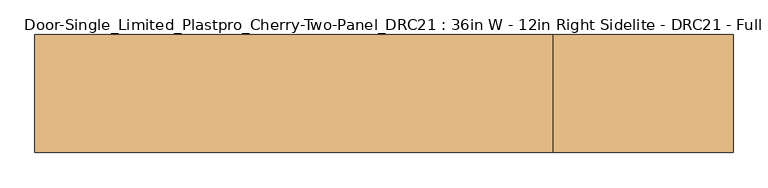
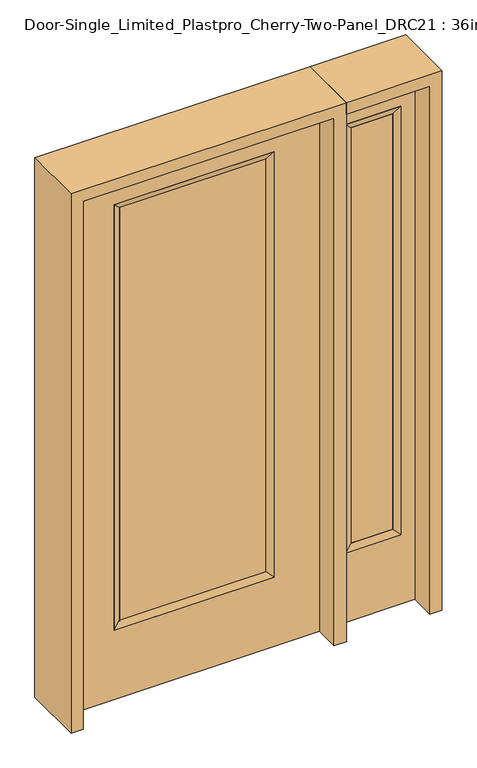
"""IFC4 building model written with IfcOpenShell, lengths in millimetres: door geometry, Door-Single_Limited_Plastpro_Cherry-Two-Panel_DRC21 : 36in W - 12in Right Sidelite - DRC21 - Full Lite - 80in."""

import ifcopenshell
import ifcopenshell.guid

model = None  # the IFC model being written
_history = None  # IfcOwnerHistory: only IFC2X3 demands one
_inside = {}  # id of a spatial element -> (the spatial element, [elements in it])
_under = {}  # id of a project, library or spatial element -> (it, [spatial elements below it])
_declared = {}  # id of a project -> (the project, [libraries it declares])
_typed = {}  # id of a type object -> (the type object, [elements of that type])
_made_of = {}  # id of a material, layer set ... -> (it, [elements and type objects made of it])


def new_model(schema):
    """Start an empty IFC model of exactly this schema.

    Asked for "IFC4X3", IfcOpenShell would pick the latest addendum, in which some entities
    have other attributes; the version numbers below select the first issue.
    IFC2X3 requires an IfcOwnerHistory on every rooted entity: one is made here for all.
    """
    global model, _history
    if schema == "IFC4X3":
        model = ifcopenshell.file(schema_version=(4, 3, 0, 0))
    else:
        model = ifcopenshell.file(schema=schema)
    _inside.clear()
    _under.clear()
    _declared.clear()
    _typed.clear()
    _made_of.clear()
    _history = None
    if model.schema == "IFC2X3":
        org = make("IfcOrganization", Name="unknown")
        user = make(
            "IfcPersonAndOrganization",
            ThePerson=make("IfcPerson", FamilyName="unknown"),
            TheOrganization=org,
        )
        app = make(
            "IfcApplication",
            ApplicationDeveloper=org,
            Version="unknown",
            ApplicationFullName="unknown",
            ApplicationIdentifier="unknown",
        )
        _history = make(
            "IfcOwnerHistory",
            OwningUser=user,
            OwningApplication=app,
            ChangeAction="ADDED",
            CreationDate=0,
        )
    return model


def make(cls, **values):
    """One entity of the class cls with the attributes given. An attribute that is None is left unset."""
    return model.create_entity(
        cls, **{name: value for name, value in values.items() if value is not None}
    )


def rooted(cls, **values):
    """An entity with a GlobalId (a new one), such as an element, a storey or a relation."""
    return make(cls, GlobalId=ifcopenshell.guid.new(), OwnerHistory=_history, **values)


def si_unit(unit_type, name, prefix=None):
    """IfcSIUnit, for example si_unit("LENGTHUNIT", "METRE", prefix="MILLI")."""
    return make("IfcSIUnit", UnitType=unit_type, Prefix=prefix, Name=name)


def assignment(units):
    """IfcUnitAssignment: the units of a project."""
    return None if units is None else make("IfcUnitAssignment", Units=units)


def point(xyz):
    """IfcCartesianPoint."""
    return None if xyz is None else make("IfcCartesianPoint", Coordinates=xyz)


def direction(xyz):
    """IfcDirection."""
    return None if xyz is None else make("IfcDirection", DirectionRatios=xyz)


def frame(location, z_axis=None, x_axis=None):
    """IfcAxis2Placement3D, a coordinate frame: its origin and axes. An axis left out is left unset."""
    return make(
        "IfcAxis2Placement3D",
        Location=point(location),
        Axis=direction(z_axis),
        RefDirection=direction(x_axis),
    )


def origin():
    """The frame at (0, 0, 0) with its axes left unset."""
    return frame((0.0, 0.0, 0.0))


def place(relative_to, where):
    """IfcLocalPlacement: puts the frame where relative to a parent placement (None: the world)."""
    return make(
        "IfcLocalPlacement", PlacementRelTo=relative_to, RelativePlacement=where
    )


def context(
    kind, dimensions, precision=None, world=None, true_north=None, identifier=None
):
    """IfcGeometricRepresentationContext, for example the 3D "Model" context."""
    return make(
        "IfcGeometricRepresentationContext",
        ContextIdentifier=identifier,
        ContextType=kind,
        CoordinateSpaceDimension=dimensions,
        Precision=precision,
        WorldCoordinateSystem=world,
        TrueNorth=true_north,
    )


def project(units=None, contexts=None):
    """IfcProject with its units and contexts."""
    return rooted(
        "IfcProject",
        Name="project",
        RepresentationContexts=contexts,
        UnitsInContext=assignment(units),
    )


def spatial(cls, under=None, at=None, **own):
    """A site, building, storey or space (cls), placed at a placement, below another one or the project."""
    s = rooted(cls, ObjectPlacement=at, **own)
    if under is not None:
        _under.setdefault(under.id(), (under, []))[1].append(s)
    return s


def polyline(points):
    """IfcPolyline through the points."""
    return make("IfcPolyline", Points=[point(p) for p in points])


def outline(outer, holes=None, kind="AREA"):
    """IfcArbitraryClosedProfileDef: a profile drawn as a closed curve; with holes, ...WithVoids."""
    if holes is None:
        return make("IfcArbitraryClosedProfileDef", ProfileType=kind, OuterCurve=outer)
    return make(
        "IfcArbitraryProfileDefWithVoids",
        ProfileType=kind,
        OuterCurve=outer,
        InnerCurves=holes,
    )


def extrude(swept, where, along, depth):
    """IfcExtrudedAreaSolid: the profile swept, set in the frame where, extruded along a direction by depth."""
    return make(
        "IfcExtrudedAreaSolid",
        SweptArea=swept,
        Position=where,
        ExtrudedDirection=direction(along),
        Depth=depth,
    )


def faces_of(points, faces, orient=None, outer=None):
    """IfcFace entities. A face is a list of loops; a loop is a list of indices into points, from 0.

    orient and outer hold one flag for each loop. By default every Orientation is true, the
    first loop of a face is its IfcFaceOuterBound and the others are IfcFaceBound.
    """
    made = []
    for i, loops in enumerate(faces):
        bounds = []
        for j, loop in enumerate(loops):
            is_outer = j == 0 if outer is None else outer[i][j]
            bounds.append(
                make(
                    "IfcFaceOuterBound" if is_outer else "IfcFaceBound",
                    Bound=make("IfcPolyLoop", Polygon=[points[k] for k in loop]),
                    Orientation=True if orient is None else orient[i][j],
                )
            )
        made.append(make("IfcFace", Bounds=bounds))
    return made


def faceted_brep(points, faces, orient=None, outer=None, voids=None):
    """IfcFacetedBrep: a solid bounded by flat faces; with voids (closed shells), ...WithVoids."""
    shared = [point(p) for p in points]
    hull = make("IfcClosedShell", CfsFaces=faces_of(shared, faces, orient, outer))
    if voids is None:
        return make("IfcFacetedBrep", Outer=hull)
    return make(
        "IfcFacetedBrepWithVoids",
        Outer=hull,
        Voids=[
            make(cls, CfsFaces=faces_of(shared, fs, o, b)) for cls, fs, o, b in voids
        ],
    )


def shape(context_of_items, identifier, shape_type, items):
    """IfcShapeRepresentation: the items that make up one representation, for example the "Body"."""
    return make(
        "IfcShapeRepresentation",
        ContextOfItems=context_of_items,
        RepresentationIdentifier=identifier,
        RepresentationType=shape_type,
        Items=items,
    )


def source(mapping_origin, context_of_items, identifier, shape_type, items):
    """IfcRepresentationMap: a shape defined once, which mapped items show again and again."""
    return make(
        "IfcRepresentationMap",
        MappingOrigin=mapping_origin,
        MappedRepresentation=shape(context_of_items, identifier, shape_type, items),
    )


def transform(
    local_origin,
    x_axis=None,
    y_axis=None,
    z_axis=None,
    scale=None,
    scale2=None,
    scale3=None,
    uniform=True,
):
    """IfcCartesianTransformationOperator3D, or its non-uniform kind. x_axis, y_axis, z_axis: its Axis1, 2, 3."""
    if uniform:
        return make(
            "IfcCartesianTransformationOperator3D",
            Axis1=direction(x_axis),
            Axis2=direction(y_axis),
            LocalOrigin=point(local_origin),
            Scale=scale,
            Axis3=direction(z_axis),
        )
    return make(
        "IfcCartesianTransformationOperator3DnonUniform",
        Axis1=direction(x_axis),
        Axis2=direction(y_axis),
        LocalOrigin=point(local_origin),
        Scale=scale,
        Axis3=direction(z_axis),
        Scale2=scale2,
        Scale3=scale3,
    )


def mapped(mapping_source, mapping_target):
    """IfcMappedItem: shows the shape of a source again, moved by a transform."""
    return make(
        "IfcMappedItem", MappingSource=mapping_source, MappingTarget=mapping_target
    )


def made_of(thing, what):
    """Note that an element or type object is made of a material, layer set ...; save() writes the relation."""
    if what is not None:
        _made_of.setdefault(what.id(), (what, []))[1].append(thing)
    return thing


def element(
    cls,
    number,
    at=None,
    inside=None,
    cuts=None,
    type_object=None,
    material=None,
    context=None,
    identifier="Body",
    shape_type=None,
    held_by="IfcProductDefinitionShape",
    body=None,
    shapes=None,
    **own,
):
    """One element of the class cls, such as IfcWall. Its Tag is "e" and its number.

    at: its placement. inside: the storey or other place that contains it. cuts: it is an
    opening in that element (IfcRelVoidsElement). A single representation is given by context,
    identifier, shape_type and body (its items); several are given by shapes. held_by: the class
    of the entity that holds the representations. save() writes the other relations.
    """
    e = rooted(cls, Tag="e%d" % number, ObjectPlacement=at, **own)
    if body is not None:
        shapes = [shape(context, identifier, shape_type, body)]
    if shapes is not None:
        e.Representation = make(held_by, Representations=shapes)
    if inside is not None:
        _inside.setdefault(inside.id(), (inside, []))[1].append(e)
    if cuts is not None:
        rooted(
            "IfcRelVoidsElement", RelatingBuildingElement=cuts, RelatedOpeningElement=e
        )
    if type_object is not None:
        _typed.setdefault(type_object.id(), (type_object, []))[1].append(e)
    return made_of(e, material)


def aggregate(whole, parts):
    """IfcRelAggregates: a whole, such as a stair, and the parts it consists of."""
    return rooted("IfcRelAggregates", RelatingObject=whole, RelatedObjects=parts)


def save(model, path):
    """Write the relations noted so far, then the file.

    IfcRelAggregates (storeys below a building ...), IfcRelContainedInSpatialStructure (elements
    in a storey), IfcRelDefinesByType, IfcRelAssociatesMaterial and IfcRelDeclares: one each for
    every whole, place, type object, material and project.
    """
    for whole, parts in _under.values():
        aggregate(whole, parts)
    for where, things in _inside.values():
        rooted(
            "IfcRelContainedInSpatialStructure",
            RelatedElements=things,
            RelatingStructure=where,
        )
    for kind, things in _typed.values():
        rooted("IfcRelDefinesByType", RelatedObjects=things, RelatingType=kind)
    for what, things in _made_of.values():
        rooted("IfcRelAssociatesMaterial", RelatedObjects=things, RelatingMaterial=what)
    for by, libraries in _declared.values():
        rooted("IfcRelDeclares", RelatingContext=by, RelatedDefinitions=libraries)
    model.write(path)


def door_single_limited_plastpro_cherry_two_panel_drc21_36in_w_1a7f3419(model_context):
    return source(origin(), model_context, "Body", "SolidModel", [
        extrude(outline(polyline([(266.7, -12.7), (-266.7, -12.7), (-266.7, 12.7), (266.7, 12.7), (266.7, -12.7)])), frame((0.0, 0.0, 284.95625), z_axis=(0.0, 0.0, 1.0), x_axis=(1.0, 0.0, 0.0)), (0.0, 0.0, 1.0), 1607.34375),
        faceted_brep([(-292.1, -22.225, 1905.0), (-292.1, 22.225, 1905.0), (-292.1, 22.225, 266.7), (-292.1, -22.225, 266.7), (292.1, 22.225, 266.7), (292.1, -22.225, 266.7), (-266.7, 12.7, 292.1), (266.7, 12.7, 292.1), (292.1, 22.225, 1905.0), (292.1, -22.225, 1905.0), (-266.7, -12.7, 292.1), (266.7, -12.7, 292.1), (-266.7, -12.7, 1879.6), (266.7, -12.7, 1879.6), (-266.7, 12.7, 1879.6), (266.7, 12.7, 1879.6)], [[[0, 1, 2, 3]], [[3, 2, 4, 5]], [[2, 6, 7, 4]], [[5, 4, 8, 9]], [[10, 3, 5, 11]], [[12, 0, 3, 10]], [[11, 5, 9, 13]], [[6, 10, 11, 7]], [[14, 12, 10, 6]], [[7, 11, 13, 15]], [[1, 14, 6, 2]], [[4, 7, 15, 8]], [[9, 8, 1, 0]], [[13, 9, 0, 12]], [[15, 13, 12, 14]], [[8, 15, 14, 1]]]),
        extrude(outline(polyline([(2032.0, 457.2), (2032.0, -457.2), (0.0, -457.2), (0.0, 457.2), (2032.0, 457.2)]), holes=[polyline([(1905.0, -292.1), (1905.0, 292.1), (266.7, 292.1), (266.7, -292.1), (1905.0, -292.1)])]), frame((0.0, -22.225, 0.0), z_axis=(0.0, 1.0, 0.0), x_axis=(0.0, 0.0, 1.0)), (0.0, 0.0, 1.0), 44.45),
        faceted_brep([(552.45, 20.6375, 1917.7), (552.45, 20.6375, 266.7), (552.45, -20.6375, 266.7), (552.45, -20.6375, 1917.7), (577.85, -12.7, 292.1), (577.85, -12.7, 1892.3), (755.65, 20.6375, 266.7), (755.65, -20.6375, 266.7), (577.85, 12.7, 1892.3), (577.85, 12.7, 292.1), (730.25, 12.7, 292.1), (730.25, -12.7, 292.1), (755.65, 20.6375, 1917.7), (755.65, -20.6375, 1917.7), (730.25, 12.7, 1892.3), (730.25, -12.7, 1892.3)], [[[0, 1, 2, 3]], [[3, 2, 4, 5]], [[1, 6, 7, 2]], [[8, 9, 1, 0]], [[9, 10, 6, 1]], [[5, 4, 9, 8]], [[4, 11, 10, 9]], [[2, 7, 11, 4]], [[6, 12, 13, 7]], [[10, 14, 12, 6]], [[11, 15, 14, 10]], [[7, 13, 15, 11]], [[12, 0, 3, 13]], [[14, 8, 0, 12]], [[15, 5, 8, 14]], [[13, 3, 5, 15]]]),
        extrude(outline(polyline([(0.0, 806.45), (2032.0, 806.45), (2032.0, 501.65), (0.0, 501.65), (0.0, 806.45)]), holes=[polyline([(1917.7, 552.45), (1917.7, 755.65), (266.7, 755.65), (266.7, 552.45), (1917.7, 552.45)])]), frame((0.0, -20.6375, 0.0), z_axis=(0.0, 1.0, 0.0), x_axis=(0.0, 0.0, 1.0)), (0.0, 0.0, 1.0), 41.275),
        extrude(outline(polyline([(577.85, -12.7), (577.85, 12.7), (730.25, 12.7), (730.25, -12.7), (577.85, -12.7)])), frame((0.0, 0.0, 292.1), z_axis=(0.0, 0.0, 1.0), x_axis=(1.0, 0.0, 0.0)), (0.0, 0.0, 1.0), 1600.2),
        extrude(outline(polyline([(2076.45, -501.65), (0.0, -501.65), (0.0, -457.2), (2032.0, -457.2), (2032.0, 457.2), (0.0, 457.2), (0.0, 501.65), (2076.45, 501.65), (2076.45, -501.65)])), frame((0.0, -114.3, 0.0), z_axis=(0.0, 1.0, 0.0), x_axis=(0.0, 0.0, 1.0)), (0.0, 0.0, 1.0), 228.6),
        extrude(outline(polyline([(0.0, 806.45), (0.0, 850.9), (2076.45, 850.9), (2076.45, 501.65), (2032.0, 501.65), (2032.0, 806.45), (0.0, 806.45)])), frame((0.0, -114.3, 0.0), z_axis=(0.0, 1.0, 0.0), x_axis=(0.0, 0.0, 1.0)), (0.0, 0.0, 1.0), 228.6),
    ])


if __name__ == "__main__":
    model = new_model("IFC4")
    model_context = context("Model", 3, world=origin())
    ifc_project = project(units=[si_unit("LENGTHUNIT", "METRE", prefix="MILLI")], contexts=[model_context])
    site = spatial("IfcSite", under=ifc_project)
    building = spatial("IfcBuilding", under=site)
    placement = place(None, origin())
    door_single_limited_plastpro_cherry_two_panel_drc21_36in_w_shape = door_single_limited_plastpro_cherry_two_panel_drc21_36in_w_1a7f3419(model_context)
    element("IfcDoor", 1, ObjectType="Door-Single_Limited_Plastpro_Cherry-Two-Panel_DRC21 : 36in W - 12in Right Sidelite - DRC21 - Full Lite - 80in", at=placement, inside=building, context=model_context, shape_type="MappedRepresentation", body=[
        mapped(door_single_limited_plastpro_cherry_two_panel_drc21_36in_w_shape, transform((0.0, 0.0, 0.0), x_axis=(1.0, 0.0, 0.0), y_axis=(0.0, 1.0, 0.0), z_axis=(0.0, 0.0, 1.0))),
    ])
    save(model, "model.ifc")
